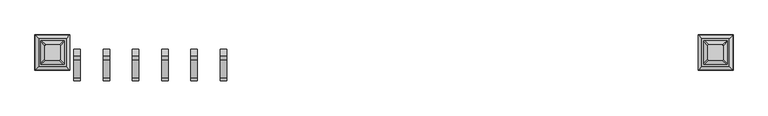
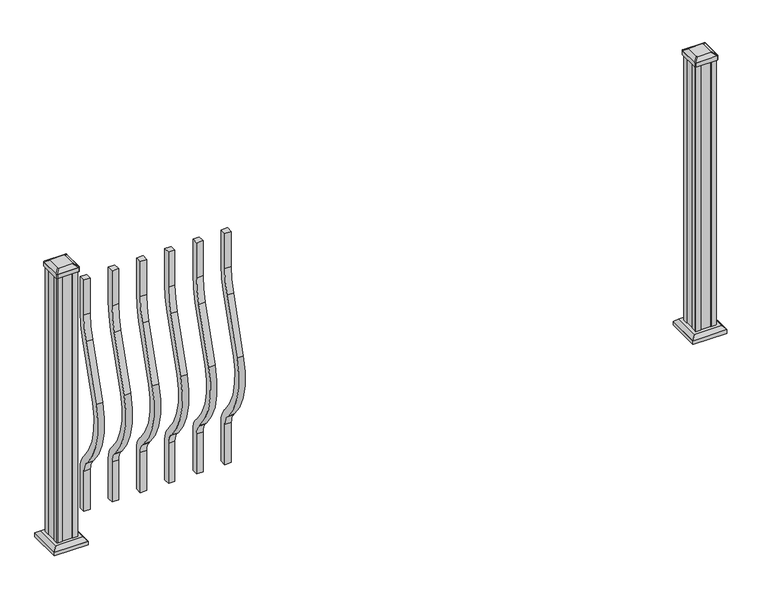
"""IFC4 building model written with IfcOpenShell, lengths in millimetres: railing geometry."""

from ifc_helpers import new_model, si_unit, point, frame, frame_2d, origin, origin_with_axes, place, context, project, spatial, polyline, circle_curve, trimmed, segment, composite_curve, outline, extrude, faceted_brep, source, transform, mapped, element, save
from ifc_brep_helpers import plane_surface, extruded_surface, advanced_brep


def railing_984de52f(model_context):
    return source(origin(), model_context, "Body", "SolidModel", [
        extrude(outline(composite_curve([segment(polyline([(-49285.066414, 921.03216), (-49285.066414, 1066.8), (-49259.666414, 1066.8), (-49259.666414, 921.03216)]), True, "CONTINUOUS"), segment(trimmed(circle_curve(frame_2d((-49632.366414, 921.03216)), 372.7), [point((-49259.666414, 921.03216))], [point((-49275.9516315, 812.0652257))], False, "CARTESIAN"), True, "CONTINUOUS"), segment(polyline([(-49275.9516315, 812.0652257), (-49343.7789093, 590.2121964)]), True, "CONTINUOUS"), segment(trimmed(circle_curve(frame_2d((-49088.158648, 512.0612397)), 267.3), [point((-49343.7789093, 590.2121964))], [point((-49287.4736709, 333.9522516))], True, "CARTESIAN"), True, "CONTINUOUS"), segment(polyline([(-49287.4736709, 333.9522516), (-49281.9719976, 327.7955374)]), True, "CONTINUOUS"), segment(trimmed(circle_curve(frame_2d((-49347.366414, 269.3587313)), 87.7), [point((-49281.9719976, 327.7955374))], [point((-49259.666414, 269.3587313))], False, "CARTESIAN"), True, "CONTINUOUS"), segment(polyline([(-49259.666414, 269.3587313), (-49259.666414, 101.5958781), (-49285.066414, 101.5958781), (-49285.066414, 269.3587313)]), True, "CONTINUOUS"), segment(trimmed(circle_curve(frame_2d((-49347.366414, 269.3587313)), 62.3), [point((-49285.066414, 269.3587313))], [point((-49300.9117716, 310.8708524))], True, "CARTESIAN"), True, "CONTINUOUS"), segment(polyline([(-49300.9117716, 310.8708524), (-49306.4134448, 317.0275666)]), True, "CONTINUOUS"), segment(trimmed(circle_curve(frame_2d((-49088.158648, 512.0612397)), 292.7), [point((-49306.4134448, 317.0275666))], [point((-49368.0690501, 597.6384377))], False, "CARTESIAN"), True, "CONTINUOUS"), segment(polyline([(-49368.0690501, 597.6384377), (-49300.2417723, 819.491467)]), True, "CONTINUOUS"), segment(trimmed(circle_curve(frame_2d((-49632.366414, 921.03216)), 347.3), [point((-49300.2417723, 819.491467))], [point((-49285.066414, 921.03216))], True, "CARTESIAN"), True, "CONTINUOUS")], self_intersect=False)), frame((13686.2900044, 0.0, 0.0), z_axis=(1.0, 0.0, 0.0), x_axis=(0.0, 1.0, 0.0)), (0.0, 0.0, 1.0), 25.4),
        extrude(outline(composite_curve([segment(polyline([(-49285.066414, 921.03216), (-49285.066414, 1066.8), (-49259.666414, 1066.8), (-49259.666414, 921.03216)]), True, "CONTINUOUS"), segment(trimmed(circle_curve(frame_2d((-49632.366414, 921.03216)), 372.7), [point((-49259.666414, 921.03216))], [point((-49275.9516315, 812.0652257))], False, "CARTESIAN"), True, "CONTINUOUS"), segment(polyline([(-49275.9516315, 812.0652257), (-49343.7789093, 590.2121964)]), True, "CONTINUOUS"), segment(trimmed(circle_curve(frame_2d((-49088.158648, 512.0612397)), 267.3), [point((-49343.7789093, 590.2121964))], [point((-49287.4736709, 333.9522516))], True, "CARTESIAN"), True, "CONTINUOUS"), segment(polyline([(-49287.4736709, 333.9522516), (-49281.9719976, 327.7955374)]), True, "CONTINUOUS"), segment(trimmed(circle_curve(frame_2d((-49347.366414, 269.3587313)), 87.7), [point((-49281.9719976, 327.7955374))], [point((-49259.666414, 269.3587313))], False, "CARTESIAN"), True, "CONTINUOUS"), segment(polyline([(-49259.666414, 269.3587313), (-49259.666414, 101.5958781), (-49285.066414, 101.5958781), (-49285.066414, 269.3587313)]), True, "CONTINUOUS"), segment(trimmed(circle_curve(frame_2d((-49347.366414, 269.3587313)), 62.3), [point((-49285.066414, 269.3587313))], [point((-49300.9117716, 310.8708524))], True, "CARTESIAN"), True, "CONTINUOUS"), segment(polyline([(-49300.9117716, 310.8708524), (-49306.4134448, 317.0275666)]), True, "CONTINUOUS"), segment(trimmed(circle_curve(frame_2d((-49088.158648, 512.0612397)), 292.7), [point((-49306.4134448, 317.0275666))], [point((-49368.0690501, 597.6384377))], False, "CARTESIAN"), True, "CONTINUOUS"), segment(polyline([(-49368.0690501, 597.6384377), (-49300.2417723, 819.491467)]), True, "CONTINUOUS"), segment(trimmed(circle_curve(frame_2d((-49632.366414, 921.03216)), 347.3), [point((-49300.2417723, 819.491467))], [point((-49285.066414, 921.03216))], True, "CARTESIAN"), True, "CONTINUOUS")], self_intersect=False)), frame((13575.0380044, 0.0, 0.0), z_axis=(1.0, 0.0, 0.0), x_axis=(0.0, 1.0, 0.0)), (0.0, 0.0, 1.0), 25.4),
        extrude(outline(composite_curve([segment(polyline([(-49285.066414, 921.03216), (-49285.066414, 1066.8), (-49259.666414, 1066.8), (-49259.666414, 921.03216)]), True, "CONTINUOUS"), segment(trimmed(circle_curve(frame_2d((-49632.366414, 921.03216)), 372.7), [point((-49259.666414, 921.03216))], [point((-49275.9516315, 812.0652257))], False, "CARTESIAN"), True, "CONTINUOUS"), segment(polyline([(-49275.9516315, 812.0652257), (-49343.7789093, 590.2121964)]), True, "CONTINUOUS"), segment(trimmed(circle_curve(frame_2d((-49088.158648, 512.0612397)), 267.3), [point((-49343.7789093, 590.2121964))], [point((-49287.4736709, 333.9522516))], True, "CARTESIAN"), True, "CONTINUOUS"), segment(polyline([(-49287.4736709, 333.9522516), (-49281.9719976, 327.7955374)]), True, "CONTINUOUS"), segment(trimmed(circle_curve(frame_2d((-49347.366414, 269.3587313)), 87.7), [point((-49281.9719976, 327.7955374))], [point((-49259.666414, 269.3587313))], False, "CARTESIAN"), True, "CONTINUOUS"), segment(polyline([(-49259.666414, 269.3587313), (-49259.666414, 101.5958781), (-49285.066414, 101.5958781), (-49285.066414, 269.3587313)]), True, "CONTINUOUS"), segment(trimmed(circle_curve(frame_2d((-49347.366414, 269.3587313)), 62.3), [point((-49285.066414, 269.3587313))], [point((-49300.9117716, 310.8708524))], True, "CARTESIAN"), True, "CONTINUOUS"), segment(polyline([(-49300.9117716, 310.8708524), (-49306.4134448, 317.0275666)]), True, "CONTINUOUS"), segment(trimmed(circle_curve(frame_2d((-49088.158648, 512.0612397)), 292.7), [point((-49306.4134448, 317.0275666))], [point((-49368.0690501, 597.6384377))], False, "CARTESIAN"), True, "CONTINUOUS"), segment(polyline([(-49368.0690501, 597.6384377), (-49300.2417723, 819.491467)]), True, "CONTINUOUS"), segment(trimmed(circle_curve(frame_2d((-49632.366414, 921.03216)), 347.3), [point((-49300.2417723, 819.491467))], [point((-49285.066414, 921.03216))], True, "CARTESIAN"), True, "CONTINUOUS")], self_intersect=False)), frame((13463.7860044, 0.0, 0.0), z_axis=(1.0, 0.0, 0.0), x_axis=(0.0, 1.0, 0.0)), (0.0, 0.0, 1.0), 25.4),
        extrude(outline(composite_curve([segment(polyline([(-49285.066414, 921.03216), (-49285.066414, 1066.8), (-49259.666414, 1066.8), (-49259.666414, 921.03216)]), True, "CONTINUOUS"), segment(trimmed(circle_curve(frame_2d((-49632.366414, 921.03216)), 372.7), [point((-49259.666414, 921.03216))], [point((-49275.9516315, 812.0652257))], False, "CARTESIAN"), True, "CONTINUOUS"), segment(polyline([(-49275.9516315, 812.0652257), (-49343.7789093, 590.2121964)]), True, "CONTINUOUS"), segment(trimmed(circle_curve(frame_2d((-49088.158648, 512.0612397)), 267.3), [point((-49343.7789093, 590.2121964))], [point((-49287.4736709, 333.9522516))], True, "CARTESIAN"), True, "CONTINUOUS"), segment(polyline([(-49287.4736709, 333.9522516), (-49281.9719976, 327.7955374)]), True, "CONTINUOUS"), segment(trimmed(circle_curve(frame_2d((-49347.366414, 269.3587313)), 87.7), [point((-49281.9719976, 327.7955374))], [point((-49259.666414, 269.3587313))], False, "CARTESIAN"), True, "CONTINUOUS"), segment(polyline([(-49259.666414, 269.3587313), (-49259.666414, 101.5958781), (-49285.066414, 101.5958781), (-49285.066414, 269.3587313)]), True, "CONTINUOUS"), segment(trimmed(circle_curve(frame_2d((-49347.366414, 269.3587313)), 62.3), [point((-49285.066414, 269.3587313))], [point((-49300.9117716, 310.8708524))], True, "CARTESIAN"), True, "CONTINUOUS"), segment(polyline([(-49300.9117716, 310.8708524), (-49306.4134448, 317.0275666)]), True, "CONTINUOUS"), segment(trimmed(circle_curve(frame_2d((-49088.158648, 512.0612397)), 292.7), [point((-49306.4134448, 317.0275666))], [point((-49368.0690501, 597.6384377))], False, "CARTESIAN"), True, "CONTINUOUS"), segment(polyline([(-49368.0690501, 597.6384377), (-49300.2417723, 819.491467)]), True, "CONTINUOUS"), segment(trimmed(circle_curve(frame_2d((-49632.366414, 921.03216)), 347.3), [point((-49300.2417723, 819.491467))], [point((-49285.066414, 921.03216))], True, "CARTESIAN"), True, "CONTINUOUS")], self_intersect=False)), frame((13352.5340044, 0.0, 0.0), z_axis=(1.0, 0.0, 0.0), x_axis=(0.0, 1.0, 0.0)), (0.0, 0.0, 1.0), 25.4),
        extrude(outline(composite_curve([segment(polyline([(-49285.066414, 921.03216), (-49285.066414, 1066.8), (-49259.666414, 1066.8), (-49259.666414, 921.03216)]), True, "CONTINUOUS"), segment(trimmed(circle_curve(frame_2d((-49632.366414, 921.03216)), 372.7), [point((-49259.666414, 921.03216))], [point((-49275.9516315, 812.0652257))], False, "CARTESIAN"), True, "CONTINUOUS"), segment(polyline([(-49275.9516315, 812.0652257), (-49343.7789093, 590.2121964)]), True, "CONTINUOUS"), segment(trimmed(circle_curve(frame_2d((-49088.158648, 512.0612397)), 267.3), [point((-49343.7789093, 590.2121964))], [point((-49287.4736709, 333.9522516))], True, "CARTESIAN"), True, "CONTINUOUS"), segment(polyline([(-49287.4736709, 333.9522516), (-49281.9719976, 327.7955374)]), True, "CONTINUOUS"), segment(trimmed(circle_curve(frame_2d((-49347.366414, 269.3587313)), 87.7), [point((-49281.9719976, 327.7955374))], [point((-49259.666414, 269.3587313))], False, "CARTESIAN"), True, "CONTINUOUS"), segment(polyline([(-49259.666414, 269.3587313), (-49259.666414, 101.5958781), (-49285.066414, 101.5958781), (-49285.066414, 269.3587313)]), True, "CONTINUOUS"), segment(trimmed(circle_curve(frame_2d((-49347.366414, 269.3587313)), 62.3), [point((-49285.066414, 269.3587313))], [point((-49300.9117716, 310.8708524))], True, "CARTESIAN"), True, "CONTINUOUS"), segment(polyline([(-49300.9117716, 310.8708524), (-49306.4134448, 317.0275666)]), True, "CONTINUOUS"), segment(trimmed(circle_curve(frame_2d((-49088.158648, 512.0612397)), 292.7), [point((-49306.4134448, 317.0275666))], [point((-49368.0690501, 597.6384377))], False, "CARTESIAN"), True, "CONTINUOUS"), segment(polyline([(-49368.0690501, 597.6384377), (-49300.2417723, 819.491467)]), True, "CONTINUOUS"), segment(trimmed(circle_curve(frame_2d((-49632.366414, 921.03216)), 347.3), [point((-49300.2417723, 819.491467))], [point((-49285.066414, 921.03216))], True, "CARTESIAN"), True, "CONTINUOUS")], self_intersect=False)), frame((13241.2820044, 0.0, 0.0), z_axis=(1.0, 0.0, 0.0), x_axis=(0.0, 1.0, 0.0)), (0.0, 0.0, 1.0), 25.4),
        extrude(outline(composite_curve([segment(polyline([(-49285.066414, 921.03216), (-49285.066414, 1066.8), (-49259.666414, 1066.8), (-49259.666414, 921.03216)]), True, "CONTINUOUS"), segment(trimmed(circle_curve(frame_2d((-49632.366414, 921.03216)), 372.7), [point((-49259.666414, 921.03216))], [point((-49275.9516315, 812.0652257))], False, "CARTESIAN"), True, "CONTINUOUS"), segment(polyline([(-49275.9516315, 812.0652257), (-49343.7789093, 590.2121964)]), True, "CONTINUOUS"), segment(trimmed(circle_curve(frame_2d((-49088.158648, 512.0612397)), 267.3), [point((-49343.7789093, 590.2121964))], [point((-49287.4736709, 333.9522516))], True, "CARTESIAN"), True, "CONTINUOUS"), segment(polyline([(-49287.4736709, 333.9522516), (-49281.9719976, 327.7955374)]), True, "CONTINUOUS"), segment(trimmed(circle_curve(frame_2d((-49347.366414, 269.3587313)), 87.7), [point((-49281.9719976, 327.7955374))], [point((-49259.666414, 269.3587313))], False, "CARTESIAN"), True, "CONTINUOUS"), segment(polyline([(-49259.666414, 269.3587313), (-49259.666414, 101.5958781), (-49285.066414, 101.5958781), (-49285.066414, 269.3587313)]), True, "CONTINUOUS"), segment(trimmed(circle_curve(frame_2d((-49347.366414, 269.3587313)), 62.3), [point((-49285.066414, 269.3587313))], [point((-49300.9117716, 310.8708524))], True, "CARTESIAN"), True, "CONTINUOUS"), segment(polyline([(-49300.9117716, 310.8708524), (-49306.4134448, 317.0275666)]), True, "CONTINUOUS"), segment(trimmed(circle_curve(frame_2d((-49088.158648, 512.0612397)), 292.7), [point((-49306.4134448, 317.0275666))], [point((-49368.0690501, 597.6384377))], False, "CARTESIAN"), True, "CONTINUOUS"), segment(polyline([(-49368.0690501, 597.6384377), (-49300.2417723, 819.491467)]), True, "CONTINUOUS"), segment(trimmed(circle_curve(frame_2d((-49632.366414, 921.03216)), 347.3), [point((-49300.2417723, 819.491467))], [point((-49285.066414, 921.03216))], True, "CARTESIAN"), True, "CONTINUOUS")], self_intersect=False)), frame((13130.0300044, 0.0, 0.0), z_axis=(1.0, 0.0, 0.0), x_axis=(0.0, 1.0, 0.0)), (0.0, 0.0, 1.0), 25.4),
        faceted_brep([(15517.6220669, -49324.9523515, 28.575), (15622.7939419, -49324.9523515, 28.575), (15622.7939419, -49219.7804765, 28.575), (15517.6220669, -49219.7804765, 28.575), (15503.5826138, -49338.9918046, 15.24), (15503.5826138, -49205.7410234, 15.24), (15636.8333951, -49205.7410234, 15.24), (15636.8333951, -49338.9918046, 15.24)], [[[0, 1, 2, 3]], [[4, 5, 6, 7]], [[4, 0, 3, 5]], [[5, 3, 2, 6]], [[6, 2, 1, 7]], [[7, 1, 0, 4]]]),
        extrude(outline(polyline([(15503.5826138, -49338.9918046), (15503.5826138, -49205.7410234), (15636.8333951, -49205.7410234), (15636.8333951, -49338.9918046), (15503.5826138, -49338.9918046)])), origin_with_axes(), (0.0, 0.0, 1.0), 15.24),
        advanced_brep(
        [(15541.2361294, -49246.569539, 1165.225), (15541.2361294, -49298.163289, 1165.225), (15544.4111294, -49301.338289, 1165.225), (15596.0048794, -49301.338289, 1165.225), (15599.1798794, -49298.163289, 1165.225), (15599.1798794, -49246.569539, 1165.225), (15596.0048794, -49243.394539, 1165.225), (15544.4111294, -49243.394539, 1165.225), (15524.9642544, -49230.297664, 1153.922), (15528.1392544, -49227.122664, 1153.922), (15612.2767544, -49227.122664, 1153.922), (15615.4517544, -49230.297664, 1153.922), (15615.4517544, -49314.435164, 1153.922), (15612.2767544, -49317.610164, 1153.922), (15528.1392544, -49317.610164, 1153.922), (15524.9642544, -49314.435164, 1153.922)],
        [
            (0, 1),
            (1, 2, circle_curve(frame((15544.4111294, -49298.163289, 1165.225), z_axis=(0.0, 0.0, 1.0), x_axis=(1.0, 0.0, 0.0)), 3.175)),
            (2, 3),
            (3, 4, circle_curve(frame((15596.0048794, -49298.163289, 1165.225), z_axis=(0.0, 0.0, 1.0), x_axis=(1.0, 0.0, 0.0)), 3.175)),
            (4, 5),
            (5, 6, circle_curve(frame((15596.0048794, -49246.569539, 1165.225), z_axis=(0.0, 0.0, 1.0), x_axis=(1.0, 0.0, 0.0)), 3.175)),
            (6, 7),
            (7, 0, circle_curve(frame((15544.4111294, -49246.569539, 1165.225), z_axis=(0.0, 0.0, 1.0), x_axis=(1.0, 0.0, 0.0)), 3.175)),
            (8, 9, circle_curve(frame((15528.1392544, -49230.297664, 1153.922), z_axis=(0.0, 0.0, -1.0), x_axis=(1.0, 0.0, 0.0)), 3.175)),
            (9, 10),
            (10, 11, circle_curve(frame((15612.2767544, -49230.297664, 1153.922), z_axis=(0.0, 0.0, -1.0), x_axis=(1.0, 0.0, 0.0)), 3.175)),
            (11, 12),
            (12, 13, circle_curve(frame((15612.2767544, -49314.435164, 1153.922), z_axis=(0.0, 0.0, -1.0), x_axis=(1.0, 0.0, 0.0)), 3.175)),
            (13, 14),
            (14, 15, circle_curve(frame((15528.1392544, -49314.435164, 1153.922), z_axis=(0.0, 0.0, -1.0), x_axis=(1.0, 0.0, 0.0)), 3.175)),
            (15, 8),
            (8, 0),
            (7, 9),
            (6, 10),
            (5, 11),
            (4, 12),
            (3, 13),
            (2, 14),
            (1, 15),
        ],
        [
            plane_surface(frame((15570.2080044, -49272.366414, 1165.225), z_axis=(0.0, 0.0, 1.0), x_axis=(0.0, 1.0, 0.0))),
            plane_surface(frame((15570.2080044, -49272.366414, 1153.922), z_axis=(0.0, 0.0, -1.0), x_axis=(0.0, 1.0, 0.0))),
            extruded_surface(trimmed(circle_curve(frame((15544.4111294, -49246.569539, 1165.225), z_axis=(0.0, 0.0, -1.0), x_axis=(1.0, 0.0, 0.0)), 3.175), [point((15541.2361294, -49246.569539, 1165.225))], [point((15544.4111294, -49243.394539, 1165.225))], True, "CARTESIAN"), (-16.271875000000364, 16.271874999998545, -11.302999999999884), 25.63797263886542),
            plane_surface(frame((15570.2080044, -49227.122664, 1153.922), z_axis=(0.0, 0.5705009161540777, 0.8212969649690409), x_axis=(1.0, 0.0, 0.0))),
            extruded_surface(trimmed(circle_curve(frame((15596.0048794, -49246.569539, 1165.225), z_axis=(0.0, 0.0, -1.0), x_axis=(1.0, 0.0, 0.0)), 3.175), [point((15596.0048794, -49243.394539, 1165.225))], [point((15599.1798794, -49246.569539, 1165.225))], True, "CARTESIAN"), (16.271875000000364, 16.271874999998545, -11.302999999999884), 25.63797263886542),
            plane_surface(frame((15615.4517544, -49272.366414, 1153.922), z_axis=(0.5705009161540291, 0.0, 0.8212969649690747), x_axis=(0.0, -1.0, 0.0))),
            extruded_surface(trimmed(circle_curve(frame((15596.0048794, -49298.163289, 1165.225), z_axis=(0.0, 0.0, -1.0), x_axis=(1.0, 0.0, 0.0)), 3.175), [point((15599.1798794, -49298.163289, 1165.225))], [point((15596.0048794, -49301.338289, 1165.225))], True, "CARTESIAN"), (16.271875000000364, -16.27187500000582, -11.302999999999884), 25.637972638870036),
            plane_surface(frame((15570.2080044, -49317.610164, 1153.922), z_axis=(0.0, -0.5705009161540143, 0.821296964969085), x_axis=(-1.0, 0.0, 0.0))),
            extruded_surface(trimmed(circle_curve(frame((15544.4111294, -49298.163289, 1165.225), z_axis=(0.0, 0.0, -1.0), x_axis=(1.0, 0.0, 0.0)), 3.175), [point((15544.4111294, -49301.338289, 1165.225))], [point((15541.2361294, -49298.163289, 1165.225))], True, "CARTESIAN"), (-16.271875000000364, -16.27187500000582, -11.302999999999884), 25.637972638870036),
            plane_surface(frame((15524.9642544, -49272.366414, 1153.922), z_axis=(-0.570500916154034, 0.0, 0.8212969649690713), x_axis=(0.0, 1.0, 0.0))),
        ],
        [
            (0, [[1, 2, 3, 4, 5, 6, 7, 8]]),
            (1, [[9, 10, 11, 12, 13, 14, 15, 16]]),
            (2, [[17, -8, 18, -9]]),
            (3, [[-18, -7, 19, -10]]),
            (4, [[-19, -6, 20, -11]]),
            (5, [[-20, -5, 21, -12]]),
            (6, [[-21, -4, 22, -13]]),
            (7, [[-22, -3, 23, -14]]),
            (8, [[-23, -2, 24, -15]]),
            (9, [[-24, -1, -17, -16]]),
        ],
    ),
        extrude(outline(composite_curve([segment(trimmed(circle_curve(frame_2d((15528.1392544, -49230.297664)), 3.175), [point((15524.9642544, -49230.297664))], [point((15528.1392544, -49227.122664))], False, "CARTESIAN"), True, "CONTINUOUS"), segment(polyline([(15528.1392544, -49227.122664), (15612.2767544, -49227.122664)]), True, "CONTINUOUS"), segment(trimmed(circle_curve(frame_2d((15612.2767544, -49230.297664)), 3.175), [point((15612.2767544, -49227.122664))], [point((15615.4517544, -49230.297664))], False, "CARTESIAN"), True, "CONTINUOUS"), segment(polyline([(15615.4517544, -49230.297664), (15615.4517544, -49314.435164)]), True, "CONTINUOUS"), segment(trimmed(circle_curve(frame_2d((15612.2767544, -49314.435164)), 3.175), [point((15615.4517544, -49314.435164))], [point((15612.2767544, -49317.610164))], False, "CARTESIAN"), True, "CONTINUOUS"), segment(polyline([(15612.2767544, -49317.610164), (15528.1392544, -49317.610164)]), True, "CONTINUOUS"), segment(trimmed(circle_curve(frame_2d((15528.1392544, -49314.435164)), 3.175), [point((15528.1392544, -49317.610164))], [point((15524.9642544, -49314.435164))], False, "CARTESIAN"), True, "CONTINUOUS"), segment(polyline([(15524.9642544, -49314.435164), (15524.9642544, -49230.297664)]), True, "CONTINUOUS")], self_intersect=False)), frame((0.0, 0.0, 1136.65), z_axis=(0.0, 0.0, 1.0), x_axis=(1.0, 0.0, 0.0)), (0.0, 0.0, 1.0), 17.272),
        extrude(outline(polyline([(15528.9330044, -49232.678914), (15530.5205044, -49231.091414), (15550.1420044, -49231.091414), (15550.9040044, -49232.678914), (15589.5120044, -49232.678914), (15590.2740044, -49231.091414), (15609.8955044, -49231.091414), (15611.4830044, -49232.678914), (15611.4830044, -49252.300414), (15609.8955044, -49253.062414), (15609.8955044, -49291.670414), (15611.4830044, -49292.432414), (15611.4830044, -49312.053914), (15609.8955044, -49313.641414), (15590.2740044, -49313.641414), (15589.5120044, -49312.053914), (15550.9040044, -49312.053914), (15550.1420044, -49313.641414), (15530.5205044, -49313.641414), (15528.9330044, -49312.053914), (15528.9330044, -49292.432414), (15530.5205044, -49291.670414), (15530.5205044, -49253.062414), (15528.9330044, -49252.300414), (15528.9330044, -49232.678914)])), origin_with_axes(), (0.0, 0.0, 1.0), 1136.65),
        faceted_brep([(12996.4180669, -49324.9523515, 28.575), (13101.5899419, -49324.9523515, 28.575), (13101.5899419, -49219.7804765, 28.575), (12996.4180669, -49219.7804765, 28.575), (12982.3786138, -49338.9918046, 15.24), (12982.3786138, -49205.7410234, 15.24), (13115.6293951, -49205.7410234, 15.24), (13115.6293951, -49338.9918046, 15.24)], [[[0, 1, 2, 3]], [[4, 5, 6, 7]], [[4, 0, 3, 5]], [[5, 3, 2, 6]], [[6, 2, 1, 7]], [[7, 1, 0, 4]]]),
        extrude(outline(polyline([(12982.3786138, -49338.9918046), (12982.3786138, -49205.7410234), (13115.6293951, -49205.7410234), (13115.6293951, -49338.9918046), (12982.3786138, -49338.9918046)])), origin_with_axes(), (0.0, 0.0, 1.0), 15.24),
        advanced_brep(
        [(13020.0321294, -49246.569539, 1165.225), (13020.0321294, -49298.163289, 1165.225), (13023.2071294, -49301.338289, 1165.225), (13074.8008794, -49301.338289, 1165.225), (13077.9758794, -49298.163289, 1165.225), (13077.9758794, -49246.569539, 1165.225), (13074.8008794, -49243.394539, 1165.225), (13023.2071294, -49243.394539, 1165.225), (13003.7602544, -49230.297664, 1153.922), (13006.9352544, -49227.122664, 1153.922), (13091.0727544, -49227.122664, 1153.922), (13094.2477544, -49230.297664, 1153.922), (13094.2477544, -49314.435164, 1153.922), (13091.0727544, -49317.610164, 1153.922), (13006.9352544, -49317.610164, 1153.922), (13003.7602544, -49314.435164, 1153.922)],
        [
            (0, 1),
            (1, 2, circle_curve(frame((13023.2071294, -49298.163289, 1165.225), z_axis=(0.0, 0.0, 1.0), x_axis=(1.0, 0.0, 0.0)), 3.175)),
            (2, 3),
            (3, 4, circle_curve(frame((13074.8008794, -49298.163289, 1165.225), z_axis=(0.0, 0.0, 1.0), x_axis=(1.0, 0.0, 0.0)), 3.175)),
            (4, 5),
            (5, 6, circle_curve(frame((13074.8008794, -49246.569539, 1165.225), z_axis=(0.0, 0.0, 1.0), x_axis=(1.0, 0.0, 0.0)), 3.175)),
            (6, 7),
            (7, 0, circle_curve(frame((13023.2071294, -49246.569539, 1165.225), z_axis=(0.0, 0.0, 1.0), x_axis=(1.0, 0.0, 0.0)), 3.175)),
            (8, 9, circle_curve(frame((13006.9352544, -49230.297664, 1153.922), z_axis=(0.0, 0.0, -1.0), x_axis=(1.0, 0.0, 0.0)), 3.175)),
            (9, 10),
            (10, 11, circle_curve(frame((13091.0727544, -49230.297664, 1153.922), z_axis=(0.0, 0.0, -1.0), x_axis=(1.0, 0.0, 0.0)), 3.175)),
            (11, 12),
            (12, 13, circle_curve(frame((13091.0727544, -49314.435164, 1153.922), z_axis=(0.0, 0.0, -1.0), x_axis=(1.0, 0.0, 0.0)), 3.175)),
            (13, 14),
            (14, 15, circle_curve(frame((13006.9352544, -49314.435164, 1153.922), z_axis=(0.0, 0.0, -1.0), x_axis=(1.0, 0.0, 0.0)), 3.175)),
            (15, 8),
            (8, 0),
            (7, 9),
            (6, 10),
            (5, 11),
            (4, 12),
            (3, 13),
            (2, 14),
            (1, 15),
        ],
        [
            plane_surface(frame((13049.0040044, -49272.366414, 1165.225), z_axis=(0.0, 0.0, 1.0), x_axis=(0.0, 1.0, 0.0))),
            plane_surface(frame((13049.0040044, -49272.366414, 1153.922), z_axis=(0.0, 0.0, -1.0), x_axis=(0.0, 1.0, 0.0))),
            extruded_surface(trimmed(circle_curve(frame((13023.2071294, -49246.569539, 1165.225), z_axis=(0.0, 0.0, -1.0), x_axis=(1.0, 0.0, 0.0)), 3.175), [point((13020.0321294, -49246.569539, 1165.225))], [point((13023.2071294, -49243.394539, 1165.225))], True, "CARTESIAN"), (-16.271875000000364, 16.271874999998545, -11.302999999999884), 25.63797263886542),
            plane_surface(frame((13049.0040044, -49227.122664, 1153.922), z_axis=(0.0, 0.5705009161540777, 0.8212969649690409), x_axis=(1.0, 0.0, 0.0))),
            extruded_surface(trimmed(circle_curve(frame((13074.8008794, -49246.569539, 1165.225), z_axis=(0.0, 0.0, -1.0), x_axis=(1.0, 0.0, 0.0)), 3.175), [point((13074.8008794, -49243.394539, 1165.225))], [point((13077.9758794, -49246.569539, 1165.225))], True, "CARTESIAN"), (16.271875000000364, 16.271874999998545, -11.302999999999884), 25.63797263886542),
            plane_surface(frame((13094.2477544, -49272.366414, 1153.922), z_axis=(0.5705009161540291, 0.0, 0.8212969649690747), x_axis=(0.0, -1.0, 0.0))),
            extruded_surface(trimmed(circle_curve(frame((13074.8008794, -49298.163289, 1165.225), z_axis=(0.0, 0.0, -1.0), x_axis=(1.0, 0.0, 0.0)), 3.175), [point((13077.9758794, -49298.163289, 1165.225))], [point((13074.8008794, -49301.338289, 1165.225))], True, "CARTESIAN"), (16.271875000000364, -16.27187500000582, -11.302999999999884), 25.637972638870036),
            plane_surface(frame((13049.0040044, -49317.610164, 1153.922), z_axis=(0.0, -0.5705009161540143, 0.821296964969085), x_axis=(-1.0, 0.0, 0.0))),
            extruded_surface(trimmed(circle_curve(frame((13023.2071294, -49298.163289, 1165.225), z_axis=(0.0, 0.0, -1.0), x_axis=(1.0, 0.0, 0.0)), 3.175), [point((13023.2071294, -49301.338289, 1165.225))], [point((13020.0321294, -49298.163289, 1165.225))], True, "CARTESIAN"), (-16.271875000000364, -16.27187500000582, -11.302999999999884), 25.637972638870036),
            plane_surface(frame((13003.7602544, -49272.366414, 1153.922), z_axis=(-0.570500916154034, 0.0, 0.8212969649690713), x_axis=(0.0, 1.0, 0.0))),
        ],
        [
            (0, [[1, 2, 3, 4, 5, 6, 7, 8]]),
            (1, [[9, 10, 11, 12, 13, 14, 15, 16]]),
            (2, [[17, -8, 18, -9]]),
            (3, [[-18, -7, 19, -10]]),
            (4, [[-19, -6, 20, -11]]),
            (5, [[-20, -5, 21, -12]]),
            (6, [[-21, -4, 22, -13]]),
            (7, [[-22, -3, 23, -14]]),
            (8, [[-23, -2, 24, -15]]),
            (9, [[-24, -1, -17, -16]]),
        ],
    ),
        extrude(outline(composite_curve([segment(trimmed(circle_curve(frame_2d((13006.9352544, -49230.297664)), 3.175), [point((13003.7602544, -49230.297664))], [point((13006.9352544, -49227.122664))], False, "CARTESIAN"), True, "CONTINUOUS"), segment(polyline([(13006.9352544, -49227.122664), (13091.0727544, -49227.122664)]), True, "CONTINUOUS"), segment(trimmed(circle_curve(frame_2d((13091.0727544, -49230.297664)), 3.175), [point((13091.0727544, -49227.122664))], [point((13094.2477544, -49230.297664))], False, "CARTESIAN"), True, "CONTINUOUS"), segment(polyline([(13094.2477544, -49230.297664), (13094.2477544, -49314.435164)]), True, "CONTINUOUS"), segment(trimmed(circle_curve(frame_2d((13091.0727544, -49314.435164)), 3.175), [point((13094.2477544, -49314.435164))], [point((13091.0727544, -49317.610164))], False, "CARTESIAN"), True, "CONTINUOUS"), segment(polyline([(13091.0727544, -49317.610164), (13006.9352544, -49317.610164)]), True, "CONTINUOUS"), segment(trimmed(circle_curve(frame_2d((13006.9352544, -49314.435164)), 3.175), [point((13006.9352544, -49317.610164))], [point((13003.7602544, -49314.435164))], False, "CARTESIAN"), True, "CONTINUOUS"), segment(polyline([(13003.7602544, -49314.435164), (13003.7602544, -49230.297664)]), True, "CONTINUOUS")], self_intersect=False)), frame((0.0, 0.0, 1136.65), z_axis=(0.0, 0.0, 1.0), x_axis=(1.0, 0.0, 0.0)), (0.0, 0.0, 1.0), 17.272),
        extrude(outline(polyline([(13007.7290044, -49232.678914), (13009.3165044, -49231.091414), (13028.9380044, -49231.091414), (13029.7000044, -49232.678914), (13068.3080044, -49232.678914), (13069.0700044, -49231.091414), (13088.6915044, -49231.091414), (13090.2790044, -49232.678914), (13090.2790044, -49252.300414), (13088.6915044, -49253.062414), (13088.6915044, -49291.670414), (13090.2790044, -49292.432414), (13090.2790044, -49312.053914), (13088.6915044, -49313.641414), (13069.0700044, -49313.641414), (13068.3080044, -49312.053914), (13029.7000044, -49312.053914), (13028.9380044, -49313.641414), (13009.3165044, -49313.641414), (13007.7290044, -49312.053914), (13007.7290044, -49292.432414), (13009.3165044, -49291.670414), (13009.3165044, -49253.062414), (13007.7290044, -49252.300414), (13007.7290044, -49232.678914)])), origin_with_axes(), (0.0, 0.0, 1.0), 1136.65),
    ])


if __name__ == "__main__":
    model = new_model("IFC4")
    model_context = context("Model", 3, world=origin())
    ifc_project = project(units=[si_unit("LENGTHUNIT", "METRE", prefix="MILLI")], contexts=[model_context])
    site = spatial("IfcSite", under=ifc_project)
    building = spatial("IfcBuilding", under=site)
    placement = place(None, origin())
    railing_shape = railing_984de52f(model_context)
    element("IfcRailing", 1, at=placement, inside=building, context=model_context, shape_type="MappedRepresentation", body=[
        mapped(railing_shape, transform((0.0, 0.0, 0.0), x_axis=(1.0, 0.0, 0.0), y_axis=(0.0, 1.0, 0.0), z_axis=(0.0, 0.0, 1.0))),
    ])
    save(model, "model.ifc")
